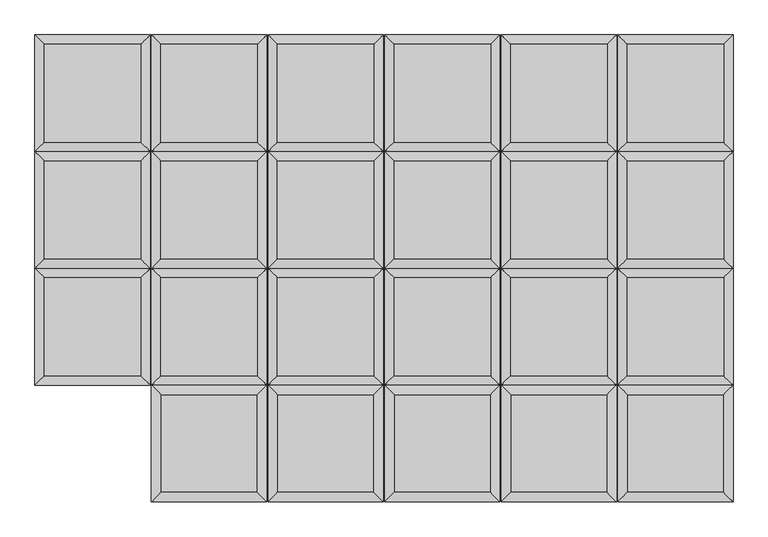
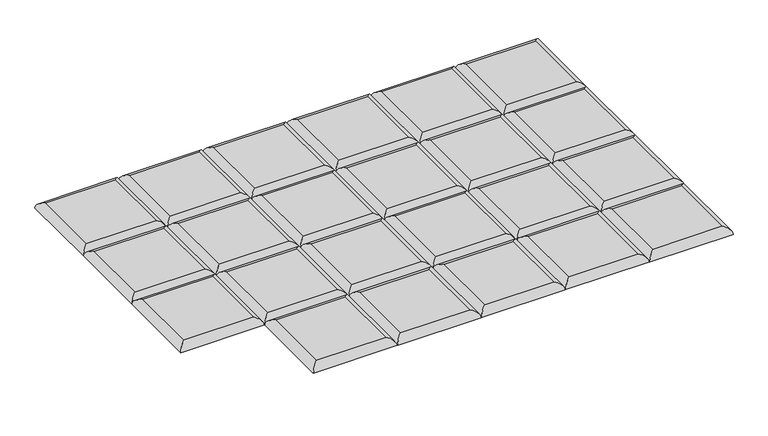
"""IFC4 building model written with IfcOpenShell, lengths in millimetres: furniture geometry."""

from ifc_helpers import new_model, si_unit, frame, origin, place, context, project, spatial, ellipse_curve, source, transform, mapped, element, save
from ifc_brep_helpers import plane_surface, cylinder_surface, advanced_brep


def furniture_f656e50f(model_context):
    return source(origin(), model_context, "Body", "AdvancedBrep", [
        advanced_brep(
        [(1090.4608514, -204.2894878, 411.6605122), (1090.4608514, -17.9605122, 411.6605122), (906.6718759, -17.9605122, 411.6605122), (906.6718759, -204.2894878, 411.6605122), (1108.4213636, 0.0, 393.7), (1108.4213636, -222.25, 393.7), (888.7113636, -222.25, 393.7), (888.7113636, 0.0, 393.7)],
        [
            (0, 1),
            (1, 2),
            (2, 3),
            (3, 0),
            (4, 5),
            (5, 6),
            (6, 7),
            (7, 4),
            (4, 1, ellipse_curve(frame((1090.4608514, -17.9605122, 393.7), z_axis=(0.7071067811865475, -0.7071067811865475, 0.0), x_axis=(0.7071067811865474, 0.7071067811865476, 0.0)), 25.4, 17.9605122)),
            (0, 5, ellipse_curve(frame((1090.4608514, -204.2894878, 393.7), z_axis=(0.7071067811865475, 0.7071067811865475, 0.0), x_axis=(-0.7071067811865474, 0.7071067811865476, 0.0)), 25.4, 17.9605122)),
            (3, 6, ellipse_curve(frame((906.6718759, -204.2894878, 393.7), z_axis=(0.7071067811865475, -0.7071067811865475, 0.0), x_axis=(0.7071067811865476, 0.7071067811865474, 0.0)), 25.4, 17.9605122)),
            (2, 7, ellipse_curve(frame((906.6718759, -17.9605122, 393.7), z_axis=(-0.7071067811865475, -0.7071067811865475, 0.0), x_axis=(0.7071067811865474, -0.7071067811865476, 0.0)), 25.4, 17.9605122)),
        ],
        [
            plane_surface(frame((906.6718759, -17.9605122, 411.6605122), z_axis=(0.0, 0.0, 1.0), x_axis=(-1.0, 0.0, 0.0))),
            plane_surface(frame((906.6718759, -17.9605122, 393.7), z_axis=(0.0, 0.0, -1.0), x_axis=(1.0, 0.0, 0.0))),
            cylinder_surface(frame((1090.4608514, 0.0, 393.7), z_axis=(0.0, 1.0, 0.0), x_axis=(1.0, 0.0, 0.0)), 17.9605122),
            cylinder_surface(frame((1108.4213636, -204.2894878, 393.7), z_axis=(1.0, 0.0, 0.0), x_axis=(0.0, -1.0, 0.0)), 17.9605122),
            cylinder_surface(frame((906.6718759, -222.25, 393.7), z_axis=(0.0, -1.0, 0.0), x_axis=(-1.0, 0.0, 0.0)), 17.9605122),
            cylinder_surface(frame((888.7113636, -17.9605122, 393.7), z_axis=(-1.0, 0.0, 0.0), x_axis=(0.0, 1.0, 0.0)), 17.9605122),
        ],
        [
            (0, [[1, 2, 3, 4]]),
            (1, [[5, 6, 7, 8]]),
            (2, [[9, -1, 10, -5]]),
            (3, [[-10, -4, 11, -6]]),
            (4, [[-11, -3, 12, -7]]),
            (5, [[-9, -8, -12, -2]]),
        ],
    ),
        advanced_brep(
        [(1090.4608514, 17.9605122, 411.6605122), (1090.4608514, 204.2894878, 411.6605122), (906.6718759, 204.2894878, 411.6605122), (906.6718759, 17.9605122, 411.6605122), (1108.4213636, 222.25, 393.7), (1108.4213636, 0.0, 393.7), (888.7113636, 0.0, 393.7), (888.7113636, 222.25, 393.7)],
        [
            (0, 1),
            (1, 2),
            (2, 3),
            (3, 0),
            (4, 5),
            (5, 6),
            (6, 7),
            (7, 4),
            (4, 1, ellipse_curve(frame((1090.4608514, 204.2894878, 393.7), z_axis=(0.7071067811865475, -0.7071067811865475, 0.0), x_axis=(0.7071067811865474, 0.7071067811865476, 0.0)), 25.4, 17.9605122)),
            (0, 5, ellipse_curve(frame((1090.4608514, 17.9605122, 393.7), z_axis=(0.7071067811865475, 0.7071067811865475, 0.0), x_axis=(-0.7071067811865474, 0.7071067811865476, 0.0)), 25.4, 17.9605122)),
            (3, 6, ellipse_curve(frame((906.6718759, 17.9605122, 393.7), z_axis=(0.7071067811865475, -0.7071067811865475, 0.0), x_axis=(0.7071067811865476, 0.7071067811865474, 0.0)), 25.4, 17.9605122)),
            (2, 7, ellipse_curve(frame((906.6718759, 204.2894878, 393.7), z_axis=(-0.7071067811865475, -0.7071067811865475, 0.0), x_axis=(0.7071067811865474, -0.7071067811865476, 0.0)), 25.4, 17.9605122)),
        ],
        [
            plane_surface(frame((906.6718759, 204.2894878, 411.6605122), z_axis=(0.0, 0.0, 1.0), x_axis=(-1.0, 0.0, 0.0))),
            plane_surface(frame((906.6718759, 204.2894878, 393.7), z_axis=(0.0, 0.0, -1.0), x_axis=(1.0, 0.0, 0.0))),
            cylinder_surface(frame((1090.4608514, 222.25, 393.7), z_axis=(0.0, 1.0, 0.0), x_axis=(1.0, 0.0, 0.0)), 17.9605122),
            cylinder_surface(frame((1108.4213636, 17.9605122, 393.7), z_axis=(1.0, 0.0, 0.0), x_axis=(0.0, -1.0, 0.0)), 17.9605122),
            cylinder_surface(frame((906.6718759, 0.0, 393.7), z_axis=(0.0, -1.0, 0.0), x_axis=(-1.0, 0.0, 0.0)), 17.9605122),
            cylinder_surface(frame((888.7113636, 204.2894878, 393.7), z_axis=(-1.0, 0.0, 0.0), x_axis=(0.0, 1.0, 0.0)), 17.9605122),
        ],
        [
            (0, [[1, 2, 3, 4]]),
            (1, [[5, 6, 7, 8]]),
            (2, [[9, -1, 10, -5]]),
            (3, [[-10, -4, 11, -6]]),
            (4, [[-11, -3, 12, -7]]),
            (5, [[-9, -8, -12, -2]]),
        ],
    ),
        advanced_brep(
        [(1090.4608514, 240.2105122, 411.6605122), (1090.4608514, 426.5394878, 411.6605122), (906.6718759, 426.5394878, 411.6605122), (906.6718759, 240.2105122, 411.6605122), (1108.4213636, 444.5, 393.7), (1108.4213636, 222.25, 393.7), (888.7113636, 222.25, 393.7), (888.7113636, 444.5, 393.7)],
        [
            (0, 1),
            (1, 2),
            (2, 3),
            (3, 0),
            (4, 5),
            (5, 6),
            (6, 7),
            (7, 4),
            (4, 1, ellipse_curve(frame((1090.4608514, 426.5394878, 393.7), z_axis=(0.7071067811865475, -0.7071067811865475, 0.0), x_axis=(0.7071067811865474, 0.7071067811865476, 0.0)), 25.4, 17.9605122)),
            (0, 5, ellipse_curve(frame((1090.4608514, 240.2105122, 393.7), z_axis=(0.7071067811865475, 0.7071067811865475, 0.0), x_axis=(-0.7071067811865474, 0.7071067811865476, 0.0)), 25.4, 17.9605122)),
            (3, 6, ellipse_curve(frame((906.6718759, 240.2105122, 393.7), z_axis=(0.7071067811865475, -0.7071067811865475, 0.0), x_axis=(0.7071067811865476, 0.7071067811865474, 0.0)), 25.4, 17.9605122)),
            (2, 7, ellipse_curve(frame((906.6718759, 426.5394878, 393.7), z_axis=(-0.7071067811865475, -0.7071067811865475, 0.0), x_axis=(0.7071067811865474, -0.7071067811865476, 0.0)), 25.4, 17.9605122)),
        ],
        [
            plane_surface(frame((906.6718759, 426.5394878, 411.6605122), z_axis=(0.0, 0.0, 1.0), x_axis=(-1.0, 0.0, 0.0))),
            plane_surface(frame((906.6718759, 426.5394878, 393.7), z_axis=(0.0, 0.0, -1.0), x_axis=(1.0, 0.0, 0.0))),
            cylinder_surface(frame((1090.4608514, 444.5, 393.7), z_axis=(0.0, 1.0, 0.0), x_axis=(1.0, 0.0, 0.0)), 17.9605122),
            cylinder_surface(frame((1108.4213636, 240.2105122, 393.7), z_axis=(1.0, 0.0, 0.0), x_axis=(0.0, -1.0, 0.0)), 17.9605122),
            cylinder_surface(frame((906.6718759, 222.25, 393.7), z_axis=(0.0, -1.0, 0.0), x_axis=(-1.0, 0.0, 0.0)), 17.9605122),
            cylinder_surface(frame((888.7113636, 426.5394878, 393.7), z_axis=(-1.0, 0.0, 0.0), x_axis=(0.0, 1.0, 0.0)), 17.9605122),
        ],
        [
            (0, [[1, 2, 3, 4]]),
            (1, [[5, 6, 7, 8]]),
            (2, [[9, -1, 10, -5]]),
            (3, [[-10, -4, 11, -6]]),
            (4, [[-11, -3, 12, -7]]),
            (5, [[-9, -8, -12, -2]]),
        ],
    ),
        advanced_brep(
        [(1108.4213636, -222.25, 393.7), (1090.4608514, -240.2105122, 411.6605122), (1090.4608514, -426.5394878, 411.6605122), (1108.4213636, -444.5, 393.7), (906.6718759, -426.5394878, 411.6605122), (888.7113636, -444.5, 393.7), (906.6718759, -240.2105122, 411.6605122), (888.7113636, -222.25, 393.7)],
        [
            (0, 1, ellipse_curve(frame((1090.4608514, -240.2105122, 393.7), z_axis=(0.7071067811865475, -0.7071067811865475, 0.0), x_axis=(0.7071067811865474, 0.7071067811865476, 0.0)), 25.4, 17.9605122)),
            (1, 2),
            (2, 3, ellipse_curve(frame((1090.4608514, -426.5394878, 393.7), z_axis=(0.7071067811865475, 0.7071067811865475, 0.0), x_axis=(-0.7071067811865474, 0.7071067811865476, 0.0)), 25.4, 17.9605122)),
            (3, 0),
            (2, 4),
            (4, 5, ellipse_curve(frame((906.6718759, -426.5394878, 393.7), z_axis=(0.7071067811865475, -0.7071067811865475, 0.0), x_axis=(0.7071067811865476, 0.7071067811865474, 0.0)), 25.4, 17.9605122)),
            (5, 3),
            (4, 6),
            (6, 7, ellipse_curve(frame((906.6718759, -240.2105122, 393.7), z_axis=(-0.7071067811865475, -0.7071067811865475, 0.0), x_axis=(0.7071067811865474, -0.7071067811865476, 0.0)), 25.4, 17.9605122)),
            (7, 5),
            (0, 7),
            (6, 1),
        ],
        [
            cylinder_surface(frame((1090.4608514, -222.25, 393.7), z_axis=(0.0, 1.0, 0.0), x_axis=(1.0, 0.0, 0.0)), 17.9605122),
            cylinder_surface(frame((1108.4213636, -426.5394878, 393.7), z_axis=(1.0, 0.0, 0.0), x_axis=(0.0, -1.0, 0.0)), 17.9605122),
            cylinder_surface(frame((906.6718759, -444.5, 393.7), z_axis=(0.0, -1.0, 0.0), x_axis=(-1.0, 0.0, 0.0)), 17.9605122),
            cylinder_surface(frame((888.7113636, -240.2105122, 393.7), z_axis=(-1.0, 0.0, 0.0), x_axis=(0.0, 1.0, 0.0)), 17.9605122),
            plane_surface(frame((888.7113636, -222.25, 393.7), z_axis=(0.0, 0.0, -1.0), x_axis=(1.0, 0.0, 0.0))),
            plane_surface(frame((906.6718759, -240.2105122, 411.6605122), z_axis=(0.0, 0.0, 1.0), x_axis=(-1.0, 0.0, 0.0))),
        ],
        [
            (0, [[1, 2, 3, 4]]),
            (1, [[-3, 5, 6, 7]]),
            (2, [[-6, 8, 9, 10]]),
            (3, [[-1, 11, -9, 12]]),
            (4, [[-4, -7, -10, -11]]),
            (5, [[-2, -12, -8, -5]]),
        ],
    ),
        advanced_brep(
        [(868.557215, -204.2894878, 411.6605122), (868.557215, -17.9605122, 411.6605122), (684.7682395, -17.9605122, 411.6605122), (684.7682395, -204.2894878, 411.6605122), (886.5177273, 0.0, 393.7), (886.5177273, -222.25, 393.7), (666.8077273, -222.25, 393.7), (666.8077273, 0.0, 393.7)],
        [
            (0, 1),
            (1, 2),
            (2, 3),
            (3, 0),
            (4, 5),
            (5, 6),
            (6, 7),
            (7, 4),
            (4, 1, ellipse_curve(frame((868.557215, -17.9605122, 393.7), z_axis=(0.7071067811865475, -0.7071067811865475, 0.0), x_axis=(0.7071067811865474, 0.7071067811865476, 0.0)), 25.4, 17.9605122)),
            (0, 5, ellipse_curve(frame((868.557215, -204.2894878, 393.7), z_axis=(0.7071067811865475, 0.7071067811865475, 0.0), x_axis=(-0.7071067811865474, 0.7071067811865476, 0.0)), 25.4, 17.9605122)),
            (3, 6, ellipse_curve(frame((684.7682395, -204.2894878, 393.7), z_axis=(0.7071067811865475, -0.7071067811865475, 0.0), x_axis=(0.7071067811865476, 0.7071067811865474, 0.0)), 25.4, 17.9605122)),
            (2, 7, ellipse_curve(frame((684.7682395, -17.9605122, 393.7), z_axis=(-0.7071067811865475, -0.7071067811865475, 0.0), x_axis=(0.7071067811865474, -0.7071067811865476, 0.0)), 25.4, 17.9605122)),
        ],
        [
            plane_surface(frame((684.7682395, -17.9605122, 411.6605122), z_axis=(0.0, 0.0, 1.0), x_axis=(-1.0, 0.0, 0.0))),
            plane_surface(frame((684.7682395, -17.9605122, 393.7), z_axis=(0.0, 0.0, -1.0), x_axis=(1.0, 0.0, 0.0))),
            cylinder_surface(frame((868.557215, 0.0, 393.7), z_axis=(0.0, 1.0, 0.0), x_axis=(1.0, 0.0, 0.0)), 17.9605122),
            cylinder_surface(frame((886.5177273, -204.2894878, 393.7), z_axis=(1.0, 0.0, 0.0), x_axis=(0.0, -1.0, 0.0)), 17.9605122),
            cylinder_surface(frame((684.7682395, -222.25, 393.7), z_axis=(0.0, -1.0, 0.0), x_axis=(-1.0, 0.0, 0.0)), 17.9605122),
            cylinder_surface(frame((666.8077273, -17.9605122, 393.7), z_axis=(-1.0, 0.0, 0.0), x_axis=(0.0, 1.0, 0.0)), 17.9605122),
        ],
        [
            (0, [[1, 2, 3, 4]]),
            (1, [[5, 6, 7, 8]]),
            (2, [[9, -1, 10, -5]]),
            (3, [[-10, -4, 11, -6]]),
            (4, [[-11, -3, 12, -7]]),
            (5, [[-9, -8, -12, -2]]),
        ],
    ),
        advanced_brep(
        [(868.557215, 17.9605122, 411.6605122), (868.557215, 204.2894878, 411.6605122), (684.7682395, 204.2894878, 411.6605122), (684.7682395, 17.9605122, 411.6605122), (886.5177273, 222.25, 393.7), (886.5177273, 0.0, 393.7), (666.8077273, 0.0, 393.7), (666.8077273, 222.25, 393.7)],
        [
            (0, 1),
            (1, 2),
            (2, 3),
            (3, 0),
            (4, 5),
            (5, 6),
            (6, 7),
            (7, 4),
            (4, 1, ellipse_curve(frame((868.557215, 204.2894878, 393.7), z_axis=(0.7071067811865475, -0.7071067811865475, 0.0), x_axis=(0.7071067811865474, 0.7071067811865476, 0.0)), 25.4, 17.9605122)),
            (0, 5, ellipse_curve(frame((868.557215, 17.9605122, 393.7), z_axis=(0.7071067811865475, 0.7071067811865475, 0.0), x_axis=(-0.7071067811865474, 0.7071067811865476, 0.0)), 25.4, 17.9605122)),
            (3, 6, ellipse_curve(frame((684.7682395, 17.9605122, 393.7), z_axis=(0.7071067811865475, -0.7071067811865475, 0.0), x_axis=(0.7071067811865476, 0.7071067811865474, 0.0)), 25.4, 17.9605122)),
            (2, 7, ellipse_curve(frame((684.7682395, 204.2894878, 393.7), z_axis=(-0.7071067811865475, -0.7071067811865475, 0.0), x_axis=(0.7071067811865474, -0.7071067811865476, 0.0)), 25.4, 17.9605122)),
        ],
        [
            plane_surface(frame((684.7682395, 204.2894878, 411.6605122), z_axis=(0.0, 0.0, 1.0), x_axis=(-1.0, 0.0, 0.0))),
            plane_surface(frame((684.7682395, 204.2894878, 393.7), z_axis=(0.0, 0.0, -1.0), x_axis=(1.0, 0.0, 0.0))),
            cylinder_surface(frame((868.557215, 222.25, 393.7), z_axis=(0.0, 1.0, 0.0), x_axis=(1.0, 0.0, 0.0)), 17.9605122),
            cylinder_surface(frame((886.5177273, 17.9605122, 393.7), z_axis=(1.0, 0.0, 0.0), x_axis=(0.0, -1.0, 0.0)), 17.9605122),
            cylinder_surface(frame((684.7682395, 0.0, 393.7), z_axis=(0.0, -1.0, 0.0), x_axis=(-1.0, 0.0, 0.0)), 17.9605122),
            cylinder_surface(frame((666.8077273, 204.2894878, 393.7), z_axis=(-1.0, 0.0, 0.0), x_axis=(0.0, 1.0, 0.0)), 17.9605122),
        ],
        [
            (0, [[1, 2, 3, 4]]),
            (1, [[5, 6, 7, 8]]),
            (2, [[9, -1, 10, -5]]),
            (3, [[-10, -4, 11, -6]]),
            (4, [[-11, -3, 12, -7]]),
            (5, [[-9, -8, -12, -2]]),
        ],
    ),
        advanced_brep(
        [(868.557215, 240.2105122, 411.6605122), (868.557215, 426.5394878, 411.6605122), (684.7682395, 426.5394878, 411.6605122), (684.7682395, 240.2105122, 411.6605122), (886.5177273, 444.5, 393.7), (886.5177273, 222.25, 393.7), (666.8077273, 222.25, 393.7), (666.8077273, 444.5, 393.7)],
        [
            (0, 1),
            (1, 2),
            (2, 3),
            (3, 0),
            (4, 5),
            (5, 6),
            (6, 7),
            (7, 4),
            (4, 1, ellipse_curve(frame((868.557215, 426.5394878, 393.7), z_axis=(0.7071067811865475, -0.7071067811865475, 0.0), x_axis=(0.7071067811865474, 0.7071067811865476, 0.0)), 25.4, 17.9605122)),
            (0, 5, ellipse_curve(frame((868.557215, 240.2105122, 393.7), z_axis=(0.7071067811865475, 0.7071067811865475, 0.0), x_axis=(-0.7071067811865474, 0.7071067811865476, 0.0)), 25.4, 17.9605122)),
            (3, 6, ellipse_curve(frame((684.7682395, 240.2105122, 393.7), z_axis=(0.7071067811865475, -0.7071067811865475, 0.0), x_axis=(0.7071067811865476, 0.7071067811865474, 0.0)), 25.4, 17.9605122)),
            (2, 7, ellipse_curve(frame((684.7682395, 426.5394878, 393.7), z_axis=(-0.7071067811865475, -0.7071067811865475, 0.0), x_axis=(0.7071067811865474, -0.7071067811865476, 0.0)), 25.4, 17.9605122)),
        ],
        [
            plane_surface(frame((684.7682395, 426.5394878, 411.6605122), z_axis=(0.0, 0.0, 1.0), x_axis=(-1.0, 0.0, 0.0))),
            plane_surface(frame((684.7682395, 426.5394878, 393.7), z_axis=(0.0, 0.0, -1.0), x_axis=(1.0, 0.0, 0.0))),
            cylinder_surface(frame((868.557215, 444.5, 393.7), z_axis=(0.0, 1.0, 0.0), x_axis=(1.0, 0.0, 0.0)), 17.9605122),
            cylinder_surface(frame((886.5177273, 240.2105122, 393.7), z_axis=(1.0, 0.0, 0.0), x_axis=(0.0, -1.0, 0.0)), 17.9605122),
            cylinder_surface(frame((684.7682395, 222.25, 393.7), z_axis=(0.0, -1.0, 0.0), x_axis=(-1.0, 0.0, 0.0)), 17.9605122),
            cylinder_surface(frame((666.8077273, 426.5394878, 393.7), z_axis=(-1.0, 0.0, 0.0), x_axis=(0.0, 1.0, 0.0)), 17.9605122),
        ],
        [
            (0, [[1, 2, 3, 4]]),
            (1, [[5, 6, 7, 8]]),
            (2, [[9, -1, 10, -5]]),
            (3, [[-10, -4, 11, -6]]),
            (4, [[-11, -3, 12, -7]]),
            (5, [[-9, -8, -12, -2]]),
        ],
    ),
        advanced_brep(
        [(886.5177273, -222.25, 393.7), (868.557215, -240.2105122, 411.6605122), (868.557215, -426.5394878, 411.6605122), (886.5177273, -444.5, 393.7), (684.7682395, -426.5394878, 411.6605122), (666.8077273, -444.5, 393.7), (684.7682395, -240.2105122, 411.6605122), (666.8077273, -222.25, 393.7)],
        [
            (0, 1, ellipse_curve(frame((868.557215, -240.2105122, 393.7), z_axis=(0.7071067811865475, -0.7071067811865475, 0.0), x_axis=(0.7071067811865474, 0.7071067811865476, 0.0)), 25.4, 17.9605122)),
            (1, 2),
            (2, 3, ellipse_curve(frame((868.557215, -426.5394878, 393.7), z_axis=(0.7071067811865475, 0.7071067811865475, 0.0), x_axis=(-0.7071067811865474, 0.7071067811865476, 0.0)), 25.4, 17.9605122)),
            (3, 0),
            (2, 4),
            (4, 5, ellipse_curve(frame((684.7682395, -426.5394878, 393.7), z_axis=(0.7071067811865475, -0.7071067811865475, 0.0), x_axis=(0.7071067811865476, 0.7071067811865474, 0.0)), 25.4, 17.9605122)),
            (5, 3),
            (4, 6),
            (6, 7, ellipse_curve(frame((684.7682395, -240.2105122, 393.7), z_axis=(-0.7071067811865475, -0.7071067811865475, 0.0), x_axis=(0.7071067811865474, -0.7071067811865476, 0.0)), 25.4, 17.9605122)),
            (7, 5),
            (0, 7),
            (6, 1),
        ],
        [
            cylinder_surface(frame((868.557215, -222.25, 393.7), z_axis=(0.0, 1.0, 0.0), x_axis=(1.0, 0.0, 0.0)), 17.9605122),
            cylinder_surface(frame((886.5177273, -426.5394878, 393.7), z_axis=(1.0, 0.0, 0.0), x_axis=(0.0, -1.0, 0.0)), 17.9605122),
            cylinder_surface(frame((684.7682395, -444.5, 393.7), z_axis=(0.0, -1.0, 0.0), x_axis=(-1.0, 0.0, 0.0)), 17.9605122),
            cylinder_surface(frame((666.8077273, -240.2105122, 393.7), z_axis=(-1.0, 0.0, 0.0), x_axis=(0.0, 1.0, 0.0)), 17.9605122),
            plane_surface(frame((666.8077273, -222.25, 393.7), z_axis=(0.0, 0.0, -1.0), x_axis=(1.0, 0.0, 0.0))),
            plane_surface(frame((684.7682395, -240.2105122, 411.6605122), z_axis=(0.0, 0.0, 1.0), x_axis=(-1.0, 0.0, 0.0))),
        ],
        [
            (0, [[1, 2, 3, 4]]),
            (1, [[-3, 5, 6, 7]]),
            (2, [[-6, 8, 9, 10]]),
            (3, [[-1, 11, -9, 12]]),
            (4, [[-4, -7, -10, -11]]),
            (5, [[-2, -12, -8, -5]]),
        ],
    ),
        advanced_brep(
        [(646.6535787, -204.2894878, 411.6605122), (646.6535787, -17.9605122, 411.6605122), (462.8646032, -17.9605122, 411.6605122), (462.8646032, -204.2894878, 411.6605122), (664.6140909, 0.0, 393.7), (664.6140909, -222.25, 393.7), (444.9040909, -222.25, 393.7), (444.9040909, 0.0, 393.7)],
        [
            (0, 1),
            (1, 2),
            (2, 3),
            (3, 0),
            (4, 5),
            (5, 6),
            (6, 7),
            (7, 4),
            (4, 1, ellipse_curve(frame((646.6535787, -17.9605122, 393.7), z_axis=(0.7071067811865475, -0.7071067811865475, 0.0), x_axis=(0.7071067811865474, 0.7071067811865476, 0.0)), 25.4, 17.9605122)),
            (0, 5, ellipse_curve(frame((646.6535787, -204.2894878, 393.7), z_axis=(0.7071067811865475, 0.7071067811865475, 0.0), x_axis=(-0.7071067811865474, 0.7071067811865476, 0.0)), 25.4, 17.9605122)),
            (3, 6, ellipse_curve(frame((462.8646032, -204.2894878, 393.7), z_axis=(0.7071067811865475, -0.7071067811865475, 0.0), x_axis=(0.7071067811865476, 0.7071067811865474, 0.0)), 25.4, 17.9605122)),
            (2, 7, ellipse_curve(frame((462.8646032, -17.9605122, 393.7), z_axis=(-0.7071067811865475, -0.7071067811865475, 0.0), x_axis=(0.7071067811865474, -0.7071067811865476, 0.0)), 25.4, 17.9605122)),
        ],
        [
            plane_surface(frame((462.8646032, -17.9605122, 411.6605122), z_axis=(0.0, 0.0, 1.0), x_axis=(-1.0, 0.0, 0.0))),
            plane_surface(frame((462.8646032, -17.9605122, 393.7), z_axis=(0.0, 0.0, -1.0), x_axis=(1.0, 0.0, 0.0))),
            cylinder_surface(frame((646.6535787, 0.0, 393.7), z_axis=(0.0, 1.0, 0.0), x_axis=(1.0, 0.0, 0.0)), 17.9605122),
            cylinder_surface(frame((664.6140909, -204.2894878, 393.7), z_axis=(1.0, 0.0, 0.0), x_axis=(0.0, -1.0, 0.0)), 17.9605122),
            cylinder_surface(frame((462.8646032, -222.25, 393.7), z_axis=(0.0, -1.0, 0.0), x_axis=(-1.0, 0.0, 0.0)), 17.9605122),
            cylinder_surface(frame((444.9040909, -17.9605122, 393.7), z_axis=(-1.0, 0.0, 0.0), x_axis=(0.0, 1.0, 0.0)), 17.9605122),
        ],
        [
            (0, [[1, 2, 3, 4]]),
            (1, [[5, 6, 7, 8]]),
            (2, [[9, -1, 10, -5]]),
            (3, [[-10, -4, 11, -6]]),
            (4, [[-11, -3, 12, -7]]),
            (5, [[-9, -8, -12, -2]]),
        ],
    ),
        advanced_brep(
        [(646.6535787, 17.9605122, 411.6605122), (646.6535787, 204.2894878, 411.6605122), (462.8646032, 204.2894878, 411.6605122), (462.8646032, 17.9605122, 411.6605122), (664.6140909, 222.25, 393.7), (664.6140909, 0.0, 393.7), (444.9040909, 0.0, 393.7), (444.9040909, 222.25, 393.7)],
        [
            (0, 1),
            (1, 2),
            (2, 3),
            (3, 0),
            (4, 5),
            (5, 6),
            (6, 7),
            (7, 4),
            (4, 1, ellipse_curve(frame((646.6535787, 204.2894878, 393.7), z_axis=(0.7071067811865475, -0.7071067811865475, 0.0), x_axis=(0.7071067811865474, 0.7071067811865476, 0.0)), 25.4, 17.9605122)),
            (0, 5, ellipse_curve(frame((646.6535787, 17.9605122, 393.7), z_axis=(0.7071067811865475, 0.7071067811865475, 0.0), x_axis=(-0.7071067811865474, 0.7071067811865476, 0.0)), 25.4, 17.9605122)),
            (3, 6, ellipse_curve(frame((462.8646032, 17.9605122, 393.7), z_axis=(0.7071067811865475, -0.7071067811865475, 0.0), x_axis=(0.7071067811865476, 0.7071067811865474, 0.0)), 25.4, 17.9605122)),
            (2, 7, ellipse_curve(frame((462.8646032, 204.2894878, 393.7), z_axis=(-0.7071067811865475, -0.7071067811865475, 0.0), x_axis=(0.7071067811865474, -0.7071067811865476, 0.0)), 25.4, 17.9605122)),
        ],
        [
            plane_surface(frame((462.8646032, 204.2894878, 411.6605122), z_axis=(0.0, 0.0, 1.0), x_axis=(-1.0, 0.0, 0.0))),
            plane_surface(frame((462.8646032, 204.2894878, 393.7), z_axis=(0.0, 0.0, -1.0), x_axis=(1.0, 0.0, 0.0))),
            cylinder_surface(frame((646.6535787, 222.25, 393.7), z_axis=(0.0, 1.0, 0.0), x_axis=(1.0, 0.0, 0.0)), 17.9605122),
            cylinder_surface(frame((664.6140909, 17.9605122, 393.7), z_axis=(1.0, 0.0, 0.0), x_axis=(0.0, -1.0, 0.0)), 17.9605122),
            cylinder_surface(frame((462.8646032, 0.0, 393.7), z_axis=(0.0, -1.0, 0.0), x_axis=(-1.0, 0.0, 0.0)), 17.9605122),
            cylinder_surface(frame((444.9040909, 204.2894878, 393.7), z_axis=(-1.0, 0.0, 0.0), x_axis=(0.0, 1.0, 0.0)), 17.9605122),
        ],
        [
            (0, [[1, 2, 3, 4]]),
            (1, [[5, 6, 7, 8]]),
            (2, [[9, -1, 10, -5]]),
            (3, [[-10, -4, 11, -6]]),
            (4, [[-11, -3, 12, -7]]),
            (5, [[-9, -8, -12, -2]]),
        ],
    ),
        advanced_brep(
        [(646.6535787, 240.2105122, 411.6605122), (646.6535787, 426.5394878, 411.6605122), (462.8646032, 426.5394878, 411.6605122), (462.8646032, 240.2105122, 411.6605122), (664.6140909, 444.5, 393.7), (664.6140909, 222.25, 393.7), (444.9040909, 222.25, 393.7), (444.9040909, 444.5, 393.7)],
        [
            (0, 1),
            (1, 2),
            (2, 3),
            (3, 0),
            (4, 5),
            (5, 6),
            (6, 7),
            (7, 4),
            (4, 1, ellipse_curve(frame((646.6535787, 426.5394878, 393.7), z_axis=(0.7071067811865475, -0.7071067811865475, 0.0), x_axis=(0.7071067811865474, 0.7071067811865476, 0.0)), 25.4, 17.9605122)),
            (0, 5, ellipse_curve(frame((646.6535787, 240.2105122, 393.7), z_axis=(0.7071067811865475, 0.7071067811865475, 0.0), x_axis=(-0.7071067811865474, 0.7071067811865476, 0.0)), 25.4, 17.9605122)),
            (3, 6, ellipse_curve(frame((462.8646032, 240.2105122, 393.7), z_axis=(0.7071067811865475, -0.7071067811865475, 0.0), x_axis=(0.7071067811865476, 0.7071067811865474, 0.0)), 25.4, 17.9605122)),
            (2, 7, ellipse_curve(frame((462.8646032, 426.5394878, 393.7), z_axis=(-0.7071067811865475, -0.7071067811865475, 0.0), x_axis=(0.7071067811865474, -0.7071067811865476, 0.0)), 25.4, 17.9605122)),
        ],
        [
            plane_surface(frame((462.8646032, 426.5394878, 411.6605122), z_axis=(0.0, 0.0, 1.0), x_axis=(-1.0, 0.0, 0.0))),
            plane_surface(frame((462.8646032, 426.5394878, 393.7), z_axis=(0.0, 0.0, -1.0), x_axis=(1.0, 0.0, 0.0))),
            cylinder_surface(frame((646.6535787, 444.5, 393.7), z_axis=(0.0, 1.0, 0.0), x_axis=(1.0, 0.0, 0.0)), 17.9605122),
            cylinder_surface(frame((664.6140909, 240.2105122, 393.7), z_axis=(1.0, 0.0, 0.0), x_axis=(0.0, -1.0, 0.0)), 17.9605122),
            cylinder_surface(frame((462.8646032, 222.25, 393.7), z_axis=(0.0, -1.0, 0.0), x_axis=(-1.0, 0.0, 0.0)), 17.9605122),
            cylinder_surface(frame((444.9040909, 426.5394878, 393.7), z_axis=(-1.0, 0.0, 0.0), x_axis=(0.0, 1.0, 0.0)), 17.9605122),
        ],
        [
            (0, [[1, 2, 3, 4]]),
            (1, [[5, 6, 7, 8]]),
            (2, [[9, -1, 10, -5]]),
            (3, [[-10, -4, 11, -6]]),
            (4, [[-11, -3, 12, -7]]),
            (5, [[-9, -8, -12, -2]]),
        ],
    ),
        advanced_brep(
        [(664.6140909, -222.25, 393.7), (646.6535787, -240.2105122, 411.6605122), (646.6535787, -426.5394878, 411.6605122), (664.6140909, -444.5, 393.7), (462.8646032, -426.5394878, 411.6605122), (444.9040909, -444.5, 393.7), (462.8646032, -240.2105122, 411.6605122), (444.9040909, -222.25, 393.7)],
        [
            (0, 1, ellipse_curve(frame((646.6535787, -240.2105122, 393.7), z_axis=(0.7071067811865475, -0.7071067811865475, 0.0), x_axis=(0.7071067811865474, 0.7071067811865476, 0.0)), 25.4, 17.9605122)),
            (1, 2),
            (2, 3, ellipse_curve(frame((646.6535787, -426.5394878, 393.7), z_axis=(0.7071067811865475, 0.7071067811865475, 0.0), x_axis=(-0.7071067811865474, 0.7071067811865476, 0.0)), 25.4, 17.9605122)),
            (3, 0),
            (2, 4),
            (4, 5, ellipse_curve(frame((462.8646032, -426.5394878, 393.7), z_axis=(0.7071067811865475, -0.7071067811865475, 0.0), x_axis=(0.7071067811865476, 0.7071067811865474, 0.0)), 25.4, 17.9605122)),
            (5, 3),
            (4, 6),
            (6, 7, ellipse_curve(frame((462.8646032, -240.2105122, 393.7), z_axis=(-0.7071067811865475, -0.7071067811865475, 0.0), x_axis=(0.7071067811865474, -0.7071067811865476, 0.0)), 25.4, 17.9605122)),
            (7, 5),
            (0, 7),
            (6, 1),
        ],
        [
            cylinder_surface(frame((646.6535787, -222.25, 393.7), z_axis=(0.0, 1.0, 0.0), x_axis=(1.0, 0.0, 0.0)), 17.9605122),
            cylinder_surface(frame((664.6140909, -426.5394878, 393.7), z_axis=(1.0, 0.0, 0.0), x_axis=(0.0, -1.0, 0.0)), 17.9605122),
            cylinder_surface(frame((462.8646032, -444.5, 393.7), z_axis=(0.0, -1.0, 0.0), x_axis=(-1.0, 0.0, 0.0)), 17.9605122),
            cylinder_surface(frame((444.9040909, -240.2105122, 393.7), z_axis=(-1.0, 0.0, 0.0), x_axis=(0.0, 1.0, 0.0)), 17.9605122),
            plane_surface(frame((444.9040909, -222.25, 393.7), z_axis=(0.0, 0.0, -1.0), x_axis=(1.0, 0.0, 0.0))),
            plane_surface(frame((462.8646032, -240.2105122, 411.6605122), z_axis=(0.0, 0.0, 1.0), x_axis=(-1.0, 0.0, 0.0))),
        ],
        [
            (0, [[1, 2, 3, 4]]),
            (1, [[-3, 5, 6, 7]]),
            (2, [[-6, 8, 9, 10]]),
            (3, [[-1, 11, -9, 12]]),
            (4, [[-4, -7, -10, -11]]),
            (5, [[-2, -12, -8, -5]]),
        ],
    ),
        advanced_brep(
        [(424.7499423, -204.2894878, 411.6605122), (424.7499423, -17.9605122, 411.6605122), (240.9609668, -17.9605122, 411.6605122), (240.9609668, -204.2894878, 411.6605122), (442.7104545, 0.0, 393.7), (442.7104545, -222.25, 393.7), (223.0004545, -222.25, 393.7), (223.0004545, 0.0, 393.7)],
        [
            (0, 1),
            (1, 2),
            (2, 3),
            (3, 0),
            (4, 5),
            (5, 6),
            (6, 7),
            (7, 4),
            (4, 1, ellipse_curve(frame((424.7499423, -17.9605122, 393.7), z_axis=(0.7071067811865475, -0.7071067811865475, 0.0), x_axis=(0.7071067811865474, 0.7071067811865476, 0.0)), 25.4, 17.9605122)),
            (0, 5, ellipse_curve(frame((424.7499423, -204.2894878, 393.7), z_axis=(0.7071067811865475, 0.7071067811865475, 0.0), x_axis=(-0.7071067811865474, 0.7071067811865476, 0.0)), 25.4, 17.9605122)),
            (3, 6, ellipse_curve(frame((240.9609668, -204.2894878, 393.7), z_axis=(0.7071067811865475, -0.7071067811865475, 0.0), x_axis=(0.7071067811865476, 0.7071067811865474, 0.0)), 25.4, 17.9605122)),
            (2, 7, ellipse_curve(frame((240.9609668, -17.9605122, 393.7), z_axis=(-0.7071067811865475, -0.7071067811865475, 0.0), x_axis=(0.7071067811865474, -0.7071067811865476, 0.0)), 25.4, 17.9605122)),
        ],
        [
            plane_surface(frame((240.9609668, -17.9605122, 411.6605122), z_axis=(0.0, 0.0, 1.0), x_axis=(-1.0, 0.0, 0.0))),
            plane_surface(frame((240.9609668, -17.9605122, 393.7), z_axis=(0.0, 0.0, -1.0), x_axis=(1.0, 0.0, 0.0))),
            cylinder_surface(frame((424.7499423, 0.0, 393.7), z_axis=(0.0, 1.0, 0.0), x_axis=(1.0, 0.0, 0.0)), 17.9605122),
            cylinder_surface(frame((442.7104545, -204.2894878, 393.7), z_axis=(1.0, 0.0, 0.0), x_axis=(0.0, -1.0, 0.0)), 17.9605122),
            cylinder_surface(frame((240.9609668, -222.25, 393.7), z_axis=(0.0, -1.0, 0.0), x_axis=(-1.0, 0.0, 0.0)), 17.9605122),
            cylinder_surface(frame((223.0004545, -17.9605122, 393.7), z_axis=(-1.0, 0.0, 0.0), x_axis=(0.0, 1.0, 0.0)), 17.9605122),
        ],
        [
            (0, [[1, 2, 3, 4]]),
            (1, [[5, 6, 7, 8]]),
            (2, [[9, -1, 10, -5]]),
            (3, [[-10, -4, 11, -6]]),
            (4, [[-11, -3, 12, -7]]),
            (5, [[-9, -8, -12, -2]]),
        ],
    ),
        advanced_brep(
        [(424.7499423, 17.9605122, 411.6605122), (424.7499423, 204.2894878, 411.6605122), (240.9609668, 204.2894878, 411.6605122), (240.9609668, 17.9605122, 411.6605122), (442.7104545, 222.25, 393.7), (442.7104545, 0.0, 393.7), (223.0004545, 0.0, 393.7), (223.0004545, 222.25, 393.7)],
        [
            (0, 1),
            (1, 2),
            (2, 3),
            (3, 0),
            (4, 5),
            (5, 6),
            (6, 7),
            (7, 4),
            (4, 1, ellipse_curve(frame((424.7499423, 204.2894878, 393.7), z_axis=(0.7071067811865475, -0.7071067811865475, 0.0), x_axis=(0.7071067811865474, 0.7071067811865476, 0.0)), 25.4, 17.9605122)),
            (0, 5, ellipse_curve(frame((424.7499423, 17.9605122, 393.7), z_axis=(0.7071067811865475, 0.7071067811865475, 0.0), x_axis=(-0.7071067811865474, 0.7071067811865476, 0.0)), 25.4, 17.9605122)),
            (3, 6, ellipse_curve(frame((240.9609668, 17.9605122, 393.7), z_axis=(0.7071067811865475, -0.7071067811865475, 0.0), x_axis=(0.7071067811865476, 0.7071067811865474, 0.0)), 25.4, 17.9605122)),
            (2, 7, ellipse_curve(frame((240.9609668, 204.2894878, 393.7), z_axis=(-0.7071067811865475, -0.7071067811865475, 0.0), x_axis=(0.7071067811865474, -0.7071067811865476, 0.0)), 25.4, 17.9605122)),
        ],
        [
            plane_surface(frame((240.9609668, 204.2894878, 411.6605122), z_axis=(0.0, 0.0, 1.0), x_axis=(-1.0, 0.0, 0.0))),
            plane_surface(frame((240.9609668, 204.2894878, 393.7), z_axis=(0.0, 0.0, -1.0), x_axis=(1.0, 0.0, 0.0))),
            cylinder_surface(frame((424.7499423, 222.25, 393.7), z_axis=(0.0, 1.0, 0.0), x_axis=(1.0, 0.0, 0.0)), 17.9605122),
            cylinder_surface(frame((442.7104545, 17.9605122, 393.7), z_axis=(1.0, 0.0, 0.0), x_axis=(0.0, -1.0, 0.0)), 17.9605122),
            cylinder_surface(frame((240.9609668, 0.0, 393.7), z_axis=(0.0, -1.0, 0.0), x_axis=(-1.0, 0.0, 0.0)), 17.9605122),
            cylinder_surface(frame((223.0004545, 204.2894878, 393.7), z_axis=(-1.0, 0.0, 0.0), x_axis=(0.0, 1.0, 0.0)), 17.9605122),
        ],
        [
            (0, [[1, 2, 3, 4]]),
            (1, [[5, 6, 7, 8]]),
            (2, [[9, -1, 10, -5]]),
            (3, [[-10, -4, 11, -6]]),
            (4, [[-11, -3, 12, -7]]),
            (5, [[-9, -8, -12, -2]]),
        ],
    ),
        advanced_brep(
        [(424.7499423, 240.2105122, 411.6605122), (424.7499423, 426.5394878, 411.6605122), (240.9609668, 426.5394878, 411.6605122), (240.9609668, 240.2105122, 411.6605122), (442.7104545, 444.5, 393.7), (442.7104545, 222.25, 393.7), (223.0004545, 222.25, 393.7), (223.0004545, 444.5, 393.7)],
        [
            (0, 1),
            (1, 2),
            (2, 3),
            (3, 0),
            (4, 5),
            (5, 6),
            (6, 7),
            (7, 4),
            (4, 1, ellipse_curve(frame((424.7499423, 426.5394878, 393.7), z_axis=(0.7071067811865475, -0.7071067811865475, 0.0), x_axis=(0.7071067811865474, 0.7071067811865476, 0.0)), 25.4, 17.9605122)),
            (0, 5, ellipse_curve(frame((424.7499423, 240.2105122, 393.7), z_axis=(0.7071067811865475, 0.7071067811865475, 0.0), x_axis=(-0.7071067811865474, 0.7071067811865476, 0.0)), 25.4, 17.9605122)),
            (3, 6, ellipse_curve(frame((240.9609668, 240.2105122, 393.7), z_axis=(0.7071067811865475, -0.7071067811865475, 0.0), x_axis=(0.7071067811865476, 0.7071067811865474, 0.0)), 25.4, 17.9605122)),
            (2, 7, ellipse_curve(frame((240.9609668, 426.5394878, 393.7), z_axis=(-0.7071067811865475, -0.7071067811865475, 0.0), x_axis=(0.7071067811865474, -0.7071067811865476, 0.0)), 25.4, 17.9605122)),
        ],
        [
            plane_surface(frame((240.9609668, 426.5394878, 411.6605122), z_axis=(0.0, 0.0, 1.0), x_axis=(-1.0, 0.0, 0.0))),
            plane_surface(frame((240.9609668, 426.5394878, 393.7), z_axis=(0.0, 0.0, -1.0), x_axis=(1.0, 0.0, 0.0))),
            cylinder_surface(frame((424.7499423, 444.5, 393.7), z_axis=(0.0, 1.0, 0.0), x_axis=(1.0, 0.0, 0.0)), 17.9605122),
            cylinder_surface(frame((442.7104545, 240.2105122, 393.7), z_axis=(1.0, 0.0, 0.0), x_axis=(0.0, -1.0, 0.0)), 17.9605122),
            cylinder_surface(frame((240.9609668, 222.25, 393.7), z_axis=(0.0, -1.0, 0.0), x_axis=(-1.0, 0.0, 0.0)), 17.9605122),
            cylinder_surface(frame((223.0004545, 426.5394878, 393.7), z_axis=(-1.0, 0.0, 0.0), x_axis=(0.0, 1.0, 0.0)), 17.9605122),
        ],
        [
            (0, [[1, 2, 3, 4]]),
            (1, [[5, 6, 7, 8]]),
            (2, [[9, -1, 10, -5]]),
            (3, [[-10, -4, 11, -6]]),
            (4, [[-11, -3, 12, -7]]),
            (5, [[-9, -8, -12, -2]]),
        ],
    ),
        advanced_brep(
        [(442.7104545, -222.25, 393.7), (424.7499423, -240.2105122, 411.6605122), (424.7499423, -426.5394878, 411.6605122), (442.7104545, -444.5, 393.7), (240.9609668, -426.5394878, 411.6605122), (223.0004545, -444.5, 393.7), (240.9609668, -240.2105122, 411.6605122), (223.0004545, -222.25, 393.7)],
        [
            (0, 1, ellipse_curve(frame((424.7499423, -240.2105122, 393.7), z_axis=(0.7071067811865475, -0.7071067811865475, 0.0), x_axis=(0.7071067811865474, 0.7071067811865476, 0.0)), 25.4, 17.9605122)),
            (1, 2),
            (2, 3, ellipse_curve(frame((424.7499423, -426.5394878, 393.7), z_axis=(0.7071067811865475, 0.7071067811865475, 0.0), x_axis=(-0.7071067811865474, 0.7071067811865476, 0.0)), 25.4, 17.9605122)),
            (3, 0),
            (2, 4),
            (4, 5, ellipse_curve(frame((240.9609668, -426.5394878, 393.7), z_axis=(0.7071067811865475, -0.7071067811865475, 0.0), x_axis=(0.7071067811865476, 0.7071067811865474, 0.0)), 25.4, 17.9605122)),
            (5, 3),
            (4, 6),
            (6, 7, ellipse_curve(frame((240.9609668, -240.2105122, 393.7), z_axis=(-0.7071067811865475, -0.7071067811865475, 0.0), x_axis=(0.7071067811865474, -0.7071067811865476, 0.0)), 25.4, 17.9605122)),
            (7, 5),
            (0, 7),
            (6, 1),
        ],
        [
            cylinder_surface(frame((424.7499423, -222.25, 393.7), z_axis=(0.0, 1.0, 0.0), x_axis=(1.0, 0.0, 0.0)), 17.9605122),
            cylinder_surface(frame((442.7104545, -426.5394878, 393.7), z_axis=(1.0, 0.0, 0.0), x_axis=(0.0, -1.0, 0.0)), 17.9605122),
            cylinder_surface(frame((240.9609668, -444.5, 393.7), z_axis=(0.0, -1.0, 0.0), x_axis=(-1.0, 0.0, 0.0)), 17.9605122),
            cylinder_surface(frame((223.0004545, -240.2105122, 393.7), z_axis=(-1.0, 0.0, 0.0), x_axis=(0.0, 1.0, 0.0)), 17.9605122),
            plane_surface(frame((223.0004545, -222.25, 393.7), z_axis=(0.0, 0.0, -1.0), x_axis=(1.0, 0.0, 0.0))),
            plane_surface(frame((240.9609668, -240.2105122, 411.6605122), z_axis=(0.0, 0.0, 1.0), x_axis=(-1.0, 0.0, 0.0))),
        ],
        [
            (0, [[1, 2, 3, 4]]),
            (1, [[-3, 5, 6, 7]]),
            (2, [[-6, 8, 9, 10]]),
            (3, [[-1, 11, -9, 12]]),
            (4, [[-4, -7, -10, -11]]),
            (5, [[-2, -12, -8, -5]]),
        ],
    ),
        advanced_brep(
        [(202.8463059, -204.2894878, 411.6605122), (202.8463059, -17.9605122, 411.6605122), (19.0573304, -17.9605122, 411.6605122), (19.0573304, -204.2894878, 411.6605122), (220.8068182, 0.0, 393.7), (220.8068182, -222.25, 393.7), (1.0968182, -222.25, 393.7), (1.0968182, 0.0, 393.7)],
        [
            (0, 1),
            (1, 2),
            (2, 3),
            (3, 0),
            (4, 5),
            (5, 6),
            (6, 7),
            (7, 4),
            (4, 1, ellipse_curve(frame((202.8463059, -17.9605122, 393.7), z_axis=(0.7071067811865475, -0.7071067811865475, 0.0), x_axis=(0.7071067811865474, 0.7071067811865476, 0.0)), 25.4, 17.9605122)),
            (0, 5, ellipse_curve(frame((202.8463059, -204.2894878, 393.7), z_axis=(0.7071067811865475, 0.7071067811865475, 0.0), x_axis=(-0.7071067811865474, 0.7071067811865476, 0.0)), 25.4, 17.9605122)),
            (3, 6, ellipse_curve(frame((19.0573304, -204.2894878, 393.7), z_axis=(0.7071067811865475, -0.7071067811865475, 0.0), x_axis=(0.7071067811865476, 0.7071067811865474, 0.0)), 25.4, 17.9605122)),
            (2, 7, ellipse_curve(frame((19.0573304, -17.9605122, 393.7), z_axis=(-0.7071067811865475, -0.7071067811865475, 0.0), x_axis=(0.7071067811865474, -0.7071067811865476, 0.0)), 25.4, 17.9605122)),
        ],
        [
            plane_surface(frame((19.0573304, -17.9605122, 411.6605122), z_axis=(0.0, 0.0, 1.0), x_axis=(-1.0, 0.0, 0.0))),
            plane_surface(frame((19.0573304, -17.9605122, 393.7), z_axis=(0.0, 0.0, -1.0), x_axis=(1.0, 0.0, 0.0))),
            cylinder_surface(frame((202.8463059, 0.0, 393.7), z_axis=(0.0, 1.0, 0.0), x_axis=(1.0, 0.0, 0.0)), 17.9605122),
            cylinder_surface(frame((220.8068182, -204.2894878, 393.7), z_axis=(1.0, 0.0, 0.0), x_axis=(0.0, -1.0, 0.0)), 17.9605122),
            cylinder_surface(frame((19.0573304, -222.25, 393.7), z_axis=(0.0, -1.0, 0.0), x_axis=(-1.0, 0.0, 0.0)), 17.9605122),
            cylinder_surface(frame((1.0968182, -17.9605122, 393.7), z_axis=(-1.0, 0.0, 0.0), x_axis=(0.0, 1.0, 0.0)), 17.9605122),
        ],
        [
            (0, [[1, 2, 3, 4]]),
            (1, [[5, 6, 7, 8]]),
            (2, [[9, -1, 10, -5]]),
            (3, [[-10, -4, 11, -6]]),
            (4, [[-11, -3, 12, -7]]),
            (5, [[-9, -8, -12, -2]]),
        ],
    ),
        advanced_brep(
        [(202.8463059, 17.9605122, 411.6605122), (202.8463059, 204.2894878, 411.6605122), (19.0573304, 204.2894878, 411.6605122), (19.0573304, 17.9605122, 411.6605122), (220.8068182, 222.25, 393.7), (220.8068182, 0.0, 393.7), (1.0968182, 0.0, 393.7), (1.0968182, 222.25, 393.7)],
        [
            (0, 1),
            (1, 2),
            (2, 3),
            (3, 0),
            (4, 5),
            (5, 6),
            (6, 7),
            (7, 4),
            (4, 1, ellipse_curve(frame((202.8463059, 204.2894878, 393.7), z_axis=(0.7071067811865475, -0.7071067811865475, 0.0), x_axis=(0.7071067811865474, 0.7071067811865476, 0.0)), 25.4, 17.9605122)),
            (0, 5, ellipse_curve(frame((202.8463059, 17.9605122, 393.7), z_axis=(0.7071067811865475, 0.7071067811865475, 0.0), x_axis=(-0.7071067811865474, 0.7071067811865476, 0.0)), 25.4, 17.9605122)),
            (3, 6, ellipse_curve(frame((19.0573304, 17.9605122, 393.7), z_axis=(0.7071067811865475, -0.7071067811865475, 0.0), x_axis=(0.7071067811865476, 0.7071067811865474, 0.0)), 25.4, 17.9605122)),
            (2, 7, ellipse_curve(frame((19.0573304, 204.2894878, 393.7), z_axis=(-0.7071067811865475, -0.7071067811865475, 0.0), x_axis=(0.7071067811865474, -0.7071067811865476, 0.0)), 25.4, 17.9605122)),
        ],
        [
            plane_surface(frame((19.0573304, 204.2894878, 411.6605122), z_axis=(0.0, 0.0, 1.0), x_axis=(-1.0, 0.0, 0.0))),
            plane_surface(frame((19.0573304, 204.2894878, 393.7), z_axis=(0.0, 0.0, -1.0), x_axis=(1.0, 0.0, 0.0))),
            cylinder_surface(frame((202.8463059, 222.25, 393.7), z_axis=(0.0, 1.0, 0.0), x_axis=(1.0, 0.0, 0.0)), 17.9605122),
            cylinder_surface(frame((220.8068182, 17.9605122, 393.7), z_axis=(1.0, 0.0, 0.0), x_axis=(0.0, -1.0, 0.0)), 17.9605122),
            cylinder_surface(frame((19.0573304, 0.0, 393.7), z_axis=(0.0, -1.0, 0.0), x_axis=(-1.0, 0.0, 0.0)), 17.9605122),
            cylinder_surface(frame((1.0968182, 204.2894878, 393.7), z_axis=(-1.0, 0.0, 0.0), x_axis=(0.0, 1.0, 0.0)), 17.9605122),
        ],
        [
            (0, [[1, 2, 3, 4]]),
            (1, [[5, 6, 7, 8]]),
            (2, [[9, -1, 10, -5]]),
            (3, [[-10, -4, 11, -6]]),
            (4, [[-11, -3, 12, -7]]),
            (5, [[-9, -8, -12, -2]]),
        ],
    ),
        advanced_brep(
        [(202.8463059, 240.2105122, 411.6605122), (202.8463059, 426.5394878, 411.6605122), (19.0573304, 426.5394878, 411.6605122), (19.0573304, 240.2105122, 411.6605122), (220.8068182, 444.5, 393.7), (220.8068182, 222.25, 393.7), (1.0968182, 222.25, 393.7), (1.0968182, 444.5, 393.7)],
        [
            (0, 1),
            (1, 2),
            (2, 3),
            (3, 0),
            (4, 5),
            (5, 6),
            (6, 7),
            (7, 4),
            (4, 1, ellipse_curve(frame((202.8463059, 426.5394878, 393.7), z_axis=(0.7071067811865475, -0.7071067811865475, 0.0), x_axis=(0.7071067811865474, 0.7071067811865476, 0.0)), 25.4, 17.9605122)),
            (0, 5, ellipse_curve(frame((202.8463059, 240.2105122, 393.7), z_axis=(0.7071067811865475, 0.7071067811865475, 0.0), x_axis=(-0.7071067811865474, 0.7071067811865476, 0.0)), 25.4, 17.9605122)),
            (3, 6, ellipse_curve(frame((19.0573304, 240.2105122, 393.7), z_axis=(0.7071067811865475, -0.7071067811865475, 0.0), x_axis=(0.7071067811865476, 0.7071067811865474, 0.0)), 25.4, 17.9605122)),
            (2, 7, ellipse_curve(frame((19.0573304, 426.5394878, 393.7), z_axis=(-0.7071067811865475, -0.7071067811865475, 0.0), x_axis=(0.7071067811865474, -0.7071067811865476, 0.0)), 25.4, 17.9605122)),
        ],
        [
            plane_surface(frame((19.0573304, 426.5394878, 411.6605122), z_axis=(0.0, 0.0, 1.0), x_axis=(-1.0, 0.0, 0.0))),
            plane_surface(frame((19.0573304, 426.5394878, 393.7), z_axis=(0.0, 0.0, -1.0), x_axis=(1.0, 0.0, 0.0))),
            cylinder_surface(frame((202.8463059, 444.5, 393.7), z_axis=(0.0, 1.0, 0.0), x_axis=(1.0, 0.0, 0.0)), 17.9605122),
            cylinder_surface(frame((220.8068182, 240.2105122, 393.7), z_axis=(1.0, 0.0, 0.0), x_axis=(0.0, -1.0, 0.0)), 17.9605122),
            cylinder_surface(frame((19.0573304, 222.25, 393.7), z_axis=(0.0, -1.0, 0.0), x_axis=(-1.0, 0.0, 0.0)), 17.9605122),
            cylinder_surface(frame((1.0968182, 426.5394878, 393.7), z_axis=(-1.0, 0.0, 0.0), x_axis=(0.0, 1.0, 0.0)), 17.9605122),
        ],
        [
            (0, [[1, 2, 3, 4]]),
            (1, [[5, 6, 7, 8]]),
            (2, [[9, -1, 10, -5]]),
            (3, [[-10, -4, 11, -6]]),
            (4, [[-11, -3, 12, -7]]),
            (5, [[-9, -8, -12, -2]]),
        ],
    ),
        advanced_brep(
        [(220.8068182, -222.25, 393.7), (202.8463059, -240.2105122, 411.6605122), (202.8463059, -426.5394878, 411.6605122), (220.8068182, -444.5, 393.7), (19.0573304, -426.5394878, 411.6605122), (1.0968182, -444.5, 393.7), (19.0573304, -240.2105122, 411.6605122), (1.0968182, -222.25, 393.7)],
        [
            (0, 1, ellipse_curve(frame((202.8463059, -240.2105122, 393.7), z_axis=(0.7071067811865475, -0.7071067811865475, 0.0), x_axis=(0.7071067811865474, 0.7071067811865476, 0.0)), 25.4, 17.9605122)),
            (1, 2),
            (2, 3, ellipse_curve(frame((202.8463059, -426.5394878, 393.7), z_axis=(0.7071067811865475, 0.7071067811865475, 0.0), x_axis=(-0.7071067811865474, 0.7071067811865476, 0.0)), 25.4, 17.9605122)),
            (3, 0),
            (2, 4),
            (4, 5, ellipse_curve(frame((19.0573304, -426.5394878, 393.7), z_axis=(0.7071067811865475, -0.7071067811865475, 0.0), x_axis=(0.7071067811865476, 0.7071067811865474, 0.0)), 25.4, 17.9605122)),
            (5, 3),
            (4, 6),
            (6, 7, ellipse_curve(frame((19.0573304, -240.2105122, 393.7), z_axis=(-0.7071067811865475, -0.7071067811865475, 0.0), x_axis=(0.7071067811865474, -0.7071067811865476, 0.0)), 25.4, 17.9605122)),
            (7, 5),
            (0, 7),
            (6, 1),
        ],
        [
            cylinder_surface(frame((202.8463059, -222.25, 393.7), z_axis=(0.0, 1.0, 0.0), x_axis=(1.0, 0.0, 0.0)), 17.9605122),
            cylinder_surface(frame((220.8068182, -426.5394878, 393.7), z_axis=(1.0, 0.0, 0.0), x_axis=(0.0, -1.0, 0.0)), 17.9605122),
            cylinder_surface(frame((19.0573304, -444.5, 393.7), z_axis=(0.0, -1.0, 0.0), x_axis=(-1.0, 0.0, 0.0)), 17.9605122),
            cylinder_surface(frame((1.0968182, -240.2105122, 393.7), z_axis=(-1.0, 0.0, 0.0), x_axis=(0.0, 1.0, 0.0)), 17.9605122),
            plane_surface(frame((1.0968182, -222.25, 393.7), z_axis=(0.0, 0.0, -1.0), x_axis=(1.0, 0.0, 0.0))),
            plane_surface(frame((19.0573304, -240.2105122, 411.6605122), z_axis=(0.0, 0.0, 1.0), x_axis=(-1.0, 0.0, 0.0))),
        ],
        [
            (0, [[1, 2, 3, 4]]),
            (1, [[-3, 5, 6, 7]]),
            (2, [[-6, 8, 9, 10]]),
            (3, [[-1, 11, -9, 12]]),
            (4, [[-4, -7, -10, -11]]),
            (5, [[-2, -12, -8, -5]]),
        ],
    ),
        advanced_brep(
        [(-19.0573304, -204.2894878, 411.6605122), (-19.0573304, -17.9605122, 411.6605122), (-202.8463059, -17.9605122, 411.6605122), (-202.8463059, -204.2894878, 411.6605122), (-1.0968182, 0.0, 393.7), (-1.0968182, -222.25, 393.7), (-220.8068182, -222.25, 393.7), (-220.8068182, 0.0, 393.7)],
        [
            (0, 1),
            (1, 2),
            (2, 3),
            (3, 0),
            (4, 5),
            (5, 6),
            (6, 7),
            (7, 4),
            (4, 1, ellipse_curve(frame((-19.0573304, -17.9605122, 393.7), z_axis=(0.7071067811865475, -0.7071067811865475, 0.0), x_axis=(0.7071067811865474, 0.7071067811865476, 0.0)), 25.4, 17.9605122)),
            (0, 5, ellipse_curve(frame((-19.0573304, -204.2894878, 393.7), z_axis=(0.7071067811865475, 0.7071067811865475, 0.0), x_axis=(-0.7071067811865474, 0.7071067811865476, 0.0)), 25.4, 17.9605122)),
            (3, 6, ellipse_curve(frame((-202.8463059, -204.2894878, 393.7), z_axis=(0.7071067811865475, -0.7071067811865475, 0.0), x_axis=(0.7071067811865476, 0.7071067811865474, 0.0)), 25.4, 17.9605122)),
            (2, 7, ellipse_curve(frame((-202.8463059, -17.9605122, 393.7), z_axis=(-0.7071067811865475, -0.7071067811865475, 0.0), x_axis=(0.7071067811865474, -0.7071067811865476, 0.0)), 25.4, 17.9605122)),
        ],
        [
            plane_surface(frame((-202.8463059, -17.9605122, 411.6605122), z_axis=(0.0, 0.0, 1.0), x_axis=(-1.0, 0.0, 0.0))),
            plane_surface(frame((-202.8463059, -17.9605122, 393.7), z_axis=(0.0, 0.0, -1.0), x_axis=(1.0, 0.0, 0.0))),
            cylinder_surface(frame((-19.0573304, 0.0, 393.7), z_axis=(0.0, 1.0, 0.0), x_axis=(1.0, 0.0, 0.0)), 17.9605122),
            cylinder_surface(frame((-1.0968182, -204.2894878, 393.7), z_axis=(1.0, 0.0, 0.0), x_axis=(0.0, -1.0, 0.0)), 17.9605122),
            cylinder_surface(frame((-202.8463059, -222.25, 393.7), z_axis=(0.0, -1.0, 0.0), x_axis=(-1.0, 0.0, 0.0)), 17.9605122),
            cylinder_surface(frame((-220.8068182, -17.9605122, 393.7), z_axis=(-1.0, 0.0, 0.0), x_axis=(0.0, 1.0, 0.0)), 17.9605122),
        ],
        [
            (0, [[1, 2, 3, 4]]),
            (1, [[5, 6, 7, 8]]),
            (2, [[9, -1, 10, -5]]),
            (3, [[-10, -4, 11, -6]]),
            (4, [[-11, -3, 12, -7]]),
            (5, [[-9, -8, -12, -2]]),
        ],
    ),
        advanced_brep(
        [(-19.0573304, 17.9605122, 411.6605122), (-19.0573304, 204.2894878, 411.6605122), (-202.8463059, 204.2894878, 411.6605122), (-202.8463059, 17.9605122, 411.6605122), (-1.0968182, 222.25, 393.7), (-1.0968182, 0.0, 393.7), (-220.8068182, 0.0, 393.7), (-220.8068182, 222.25, 393.7)],
        [
            (0, 1),
            (1, 2),
            (2, 3),
            (3, 0),
            (4, 5),
            (5, 6),
            (6, 7),
            (7, 4),
            (4, 1, ellipse_curve(frame((-19.0573304, 204.2894878, 393.7), z_axis=(0.7071067811865475, -0.7071067811865475, 0.0), x_axis=(0.7071067811865474, 0.7071067811865476, 0.0)), 25.4, 17.9605122)),
            (0, 5, ellipse_curve(frame((-19.0573304, 17.9605122, 393.7), z_axis=(0.7071067811865475, 0.7071067811865475, 0.0), x_axis=(-0.7071067811865474, 0.7071067811865476, 0.0)), 25.4, 17.9605122)),
            (3, 6, ellipse_curve(frame((-202.8463059, 17.9605122, 393.7), z_axis=(0.7071067811865475, -0.7071067811865475, 0.0), x_axis=(0.7071067811865476, 0.7071067811865474, 0.0)), 25.4, 17.9605122)),
            (2, 7, ellipse_curve(frame((-202.8463059, 204.2894878, 393.7), z_axis=(-0.7071067811865475, -0.7071067811865475, 0.0), x_axis=(0.7071067811865474, -0.7071067811865476, 0.0)), 25.4, 17.9605122)),
        ],
        [
            plane_surface(frame((-202.8463059, 204.2894878, 411.6605122), z_axis=(0.0, 0.0, 1.0), x_axis=(-1.0, 0.0, 0.0))),
            plane_surface(frame((-202.8463059, 204.2894878, 393.7), z_axis=(0.0, 0.0, -1.0), x_axis=(1.0, 0.0, 0.0))),
            cylinder_surface(frame((-19.0573304, 222.25, 393.7), z_axis=(0.0, 1.0, 0.0), x_axis=(1.0, 0.0, 0.0)), 17.9605122),
            cylinder_surface(frame((-1.0968182, 17.9605122, 393.7), z_axis=(1.0, 0.0, 0.0), x_axis=(0.0, -1.0, 0.0)), 17.9605122),
            cylinder_surface(frame((-202.8463059, 0.0, 393.7), z_axis=(0.0, -1.0, 0.0), x_axis=(-1.0, 0.0, 0.0)), 17.9605122),
            cylinder_surface(frame((-220.8068182, 204.2894878, 393.7), z_axis=(-1.0, 0.0, 0.0), x_axis=(0.0, 1.0, 0.0)), 17.9605122),
        ],
        [
            (0, [[1, 2, 3, 4]]),
            (1, [[5, 6, 7, 8]]),
            (2, [[9, -1, 10, -5]]),
            (3, [[-10, -4, 11, -6]]),
            (4, [[-11, -3, 12, -7]]),
            (5, [[-9, -8, -12, -2]]),
        ],
    ),
        advanced_brep(
        [(-19.0573304, 240.2105122, 411.6605122), (-19.0573304, 426.5394878, 411.6605122), (-202.8463059, 426.5394878, 411.6605122), (-202.8463059, 240.2105122, 411.6605122), (-1.0968182, 444.5, 393.7), (-1.0968182, 222.25, 393.7), (-220.8068182, 222.25, 393.7), (-220.8068182, 444.5, 393.7)],
        [
            (0, 1),
            (1, 2),
            (2, 3),
            (3, 0),
            (4, 5),
            (5, 6),
            (6, 7),
            (7, 4),
            (4, 1, ellipse_curve(frame((-19.0573304, 426.5394878, 393.7), z_axis=(0.7071067811865475, -0.7071067811865475, 0.0), x_axis=(0.7071067811865474, 0.7071067811865476, 0.0)), 25.4, 17.9605122)),
            (0, 5, ellipse_curve(frame((-19.0573304, 240.2105122, 393.7), z_axis=(0.7071067811865475, 0.7071067811865475, 0.0), x_axis=(-0.7071067811865474, 0.7071067811865476, 0.0)), 25.4, 17.9605122)),
            (3, 6, ellipse_curve(frame((-202.8463059, 240.2105122, 393.7), z_axis=(0.7071067811865475, -0.7071067811865475, 0.0), x_axis=(0.7071067811865476, 0.7071067811865474, 0.0)), 25.4, 17.9605122)),
            (2, 7, ellipse_curve(frame((-202.8463059, 426.5394878, 393.7), z_axis=(-0.7071067811865475, -0.7071067811865475, 0.0), x_axis=(0.7071067811865474, -0.7071067811865476, 0.0)), 25.4, 17.9605122)),
        ],
        [
            plane_surface(frame((-202.8463059, 426.5394878, 411.6605122), z_axis=(0.0, 0.0, 1.0), x_axis=(-1.0, 0.0, 0.0))),
            plane_surface(frame((-202.8463059, 426.5394878, 393.7), z_axis=(0.0, 0.0, -1.0), x_axis=(1.0, 0.0, 0.0))),
            cylinder_surface(frame((-19.0573304, 444.5, 393.7), z_axis=(0.0, 1.0, 0.0), x_axis=(1.0, 0.0, 0.0)), 17.9605122),
            cylinder_surface(frame((-1.0968182, 240.2105122, 393.7), z_axis=(1.0, 0.0, 0.0), x_axis=(0.0, -1.0, 0.0)), 17.9605122),
            cylinder_surface(frame((-202.8463059, 222.25, 393.7), z_axis=(0.0, -1.0, 0.0), x_axis=(-1.0, 0.0, 0.0)), 17.9605122),
            cylinder_surface(frame((-220.8068182, 426.5394878, 393.7), z_axis=(-1.0, 0.0, 0.0), x_axis=(0.0, 1.0, 0.0)), 17.9605122),
        ],
        [
            (0, [[1, 2, 3, 4]]),
            (1, [[5, 6, 7, 8]]),
            (2, [[9, -1, 10, -5]]),
            (3, [[-10, -4, 11, -6]]),
            (4, [[-11, -3, 12, -7]]),
            (5, [[-9, -8, -12, -2]]),
        ],
    ),
    ])


if __name__ == "__main__":
    model = new_model("IFC4")
    model_context = context("Model", 3, world=origin())
    ifc_project = project(units=[si_unit("LENGTHUNIT", "METRE", prefix="MILLI")], contexts=[model_context])
    site = spatial("IfcSite", under=ifc_project)
    building = spatial("IfcBuilding", under=site)
    placement = place(None, origin())
    furniture_shape = furniture_f656e50f(model_context)
    element("IfcFurniture", 1, at=placement, inside=building, context=model_context, shape_type="MappedRepresentation", body=[
        mapped(furniture_shape, transform((0.0, 0.0, 0.0), x_axis=(1.0, 0.0, 0.0), y_axis=(0.0, 1.0, 0.0), z_axis=(0.0, 0.0, 1.0))),
    ])
    save(model, "model.ifc")
